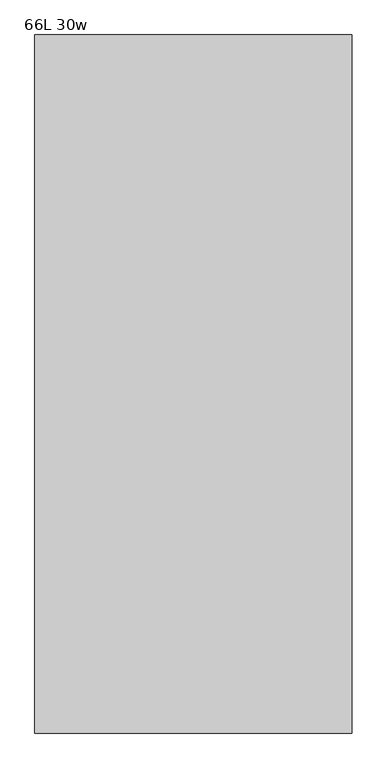
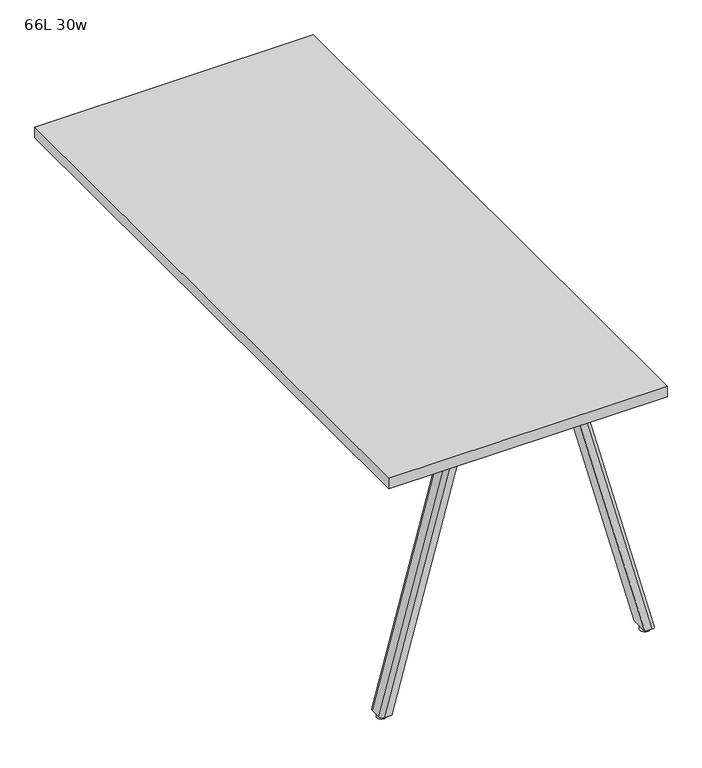
"""IFC4 building model written with IfcOpenShell, lengths in millimetres: furniture geometry, 66L 30w."""

import ifcopenshell
import ifcopenshell.guid

model = None  # the IFC model being written
_history = None  # IfcOwnerHistory: only IFC2X3 demands one
_inside = {}  # id of a spatial element -> (the spatial element, [elements in it])
_under = {}  # id of a project, library or spatial element -> (it, [spatial elements below it])
_declared = {}  # id of a project -> (the project, [libraries it declares])
_typed = {}  # id of a type object -> (the type object, [elements of that type])
_made_of = {}  # id of a material, layer set ... -> (it, [elements and type objects made of it])


def new_model(schema):
    """Start an empty IFC model of exactly this schema.

    Asked for "IFC4X3", IfcOpenShell would pick the latest addendum, in which some entities
    have other attributes; the version numbers below select the first issue.
    IFC2X3 requires an IfcOwnerHistory on every rooted entity: one is made here for all.
    """
    global model, _history
    if schema == "IFC4X3":
        model = ifcopenshell.file(schema_version=(4, 3, 0, 0))
    else:
        model = ifcopenshell.file(schema=schema)
    _inside.clear()
    _under.clear()
    _declared.clear()
    _typed.clear()
    _made_of.clear()
    _history = None
    if model.schema == "IFC2X3":
        org = make("IfcOrganization", Name="unknown")
        user = make(
            "IfcPersonAndOrganization",
            ThePerson=make("IfcPerson", FamilyName="unknown"),
            TheOrganization=org,
        )
        app = make(
            "IfcApplication",
            ApplicationDeveloper=org,
            Version="unknown",
            ApplicationFullName="unknown",
            ApplicationIdentifier="unknown",
        )
        _history = make(
            "IfcOwnerHistory",
            OwningUser=user,
            OwningApplication=app,
            ChangeAction="ADDED",
            CreationDate=0,
        )
    return model


def make(cls, **values):
    """One entity of the class cls with the attributes given. An attribute that is None is left unset."""
    return model.create_entity(
        cls, **{name: value for name, value in values.items() if value is not None}
    )


def rooted(cls, **values):
    """An entity with a GlobalId (a new one), such as an element, a storey or a relation."""
    return make(cls, GlobalId=ifcopenshell.guid.new(), OwnerHistory=_history, **values)


def si_unit(unit_type, name, prefix=None):
    """IfcSIUnit, for example si_unit("LENGTHUNIT", "METRE", prefix="MILLI")."""
    return make("IfcSIUnit", UnitType=unit_type, Prefix=prefix, Name=name)


def assignment(units):
    """IfcUnitAssignment: the units of a project."""
    return None if units is None else make("IfcUnitAssignment", Units=units)


def point(xyz):
    """IfcCartesianPoint."""
    return None if xyz is None else make("IfcCartesianPoint", Coordinates=xyz)


def direction(xyz):
    """IfcDirection."""
    return None if xyz is None else make("IfcDirection", DirectionRatios=xyz)


def frame(location, z_axis=None, x_axis=None):
    """IfcAxis2Placement3D, a coordinate frame: its origin and axes. An axis left out is left unset."""
    return make(
        "IfcAxis2Placement3D",
        Location=point(location),
        Axis=direction(z_axis),
        RefDirection=direction(x_axis),
    )


def frame_2d(location, x_axis=None):
    """IfcAxis2Placement2D, a coordinate frame in the plane: its origin and x axis."""
    return make(
        "IfcAxis2Placement2D", Location=point(location), RefDirection=direction(x_axis)
    )


def origin():
    """The frame at (0, 0, 0) with its axes left unset."""
    return frame((0.0, 0.0, 0.0))


def origin_with_axes():
    """The frame at (0, 0, 0) with the z axis (0, 0, 1) and the x axis (1, 0, 0) written out."""
    return frame((0.0, 0.0, 0.0), z_axis=(0.0, 0.0, 1.0), x_axis=(1.0, 0.0, 0.0))


def place(relative_to, where):
    """IfcLocalPlacement: puts the frame where relative to a parent placement (None: the world)."""
    return make(
        "IfcLocalPlacement", PlacementRelTo=relative_to, RelativePlacement=where
    )


def context(
    kind, dimensions, precision=None, world=None, true_north=None, identifier=None
):
    """IfcGeometricRepresentationContext, for example the 3D "Model" context."""
    return make(
        "IfcGeometricRepresentationContext",
        ContextIdentifier=identifier,
        ContextType=kind,
        CoordinateSpaceDimension=dimensions,
        Precision=precision,
        WorldCoordinateSystem=world,
        TrueNorth=true_north,
    )


def project(units=None, contexts=None):
    """IfcProject with its units and contexts."""
    return rooted(
        "IfcProject",
        Name="project",
        RepresentationContexts=contexts,
        UnitsInContext=assignment(units),
    )


def spatial(cls, under=None, at=None, **own):
    """A site, building, storey or space (cls), placed at a placement, below another one or the project."""
    s = rooted(cls, ObjectPlacement=at, **own)
    if under is not None:
        _under.setdefault(under.id(), (under, []))[1].append(s)
    return s


def polyline(points):
    """IfcPolyline through the points."""
    return make("IfcPolyline", Points=[point(p) for p in points])


def circle_curve(where, radius):
    """IfcCircle in the frame where."""
    return make("IfcCircle", Position=where, Radius=radius)


def trimmed(basis, trim1, trim2, sense, master):
    """IfcTrimmedCurve: the piece of a basis curve between two trims."""
    return make(
        "IfcTrimmedCurve",
        BasisCurve=basis,
        Trim1=trim1,
        Trim2=trim2,
        SenseAgreement=sense,
        MasterRepresentation=master,
    )


def segment(curve, same_sense, transition):
    """IfcCompositeCurveSegment."""
    return make(
        "IfcCompositeCurveSegment",
        Transition=transition,
        SameSense=same_sense,
        ParentCurve=curve,
    )


def composite_curve(segments, self_intersect=None):
    """IfcCompositeCurve: segments joined end to end."""
    return make("IfcCompositeCurve", Segments=segments, SelfIntersect=self_intersect)


def outline(outer, holes=None, kind="AREA"):
    """IfcArbitraryClosedProfileDef: a profile drawn as a closed curve; with holes, ...WithVoids."""
    if holes is None:
        return make("IfcArbitraryClosedProfileDef", ProfileType=kind, OuterCurve=outer)
    return make(
        "IfcArbitraryProfileDefWithVoids",
        ProfileType=kind,
        OuterCurve=outer,
        InnerCurves=holes,
    )


def extrude(swept, where, along, depth):
    """IfcExtrudedAreaSolid: the profile swept, set in the frame where, extruded along a direction by depth."""
    return make(
        "IfcExtrudedAreaSolid",
        SweptArea=swept,
        Position=where,
        ExtrudedDirection=direction(along),
        Depth=depth,
    )


def shape(context_of_items, identifier, shape_type, items):
    """IfcShapeRepresentation: the items that make up one representation, for example the "Body"."""
    return make(
        "IfcShapeRepresentation",
        ContextOfItems=context_of_items,
        RepresentationIdentifier=identifier,
        RepresentationType=shape_type,
        Items=items,
    )


def source(mapping_origin, context_of_items, identifier, shape_type, items):
    """IfcRepresentationMap: a shape defined once, which mapped items show again and again."""
    return make(
        "IfcRepresentationMap",
        MappingOrigin=mapping_origin,
        MappedRepresentation=shape(context_of_items, identifier, shape_type, items),
    )


def transform(
    local_origin,
    x_axis=None,
    y_axis=None,
    z_axis=None,
    scale=None,
    scale2=None,
    scale3=None,
    uniform=True,
):
    """IfcCartesianTransformationOperator3D, or its non-uniform kind. x_axis, y_axis, z_axis: its Axis1, 2, 3."""
    if uniform:
        return make(
            "IfcCartesianTransformationOperator3D",
            Axis1=direction(x_axis),
            Axis2=direction(y_axis),
            LocalOrigin=point(local_origin),
            Scale=scale,
            Axis3=direction(z_axis),
        )
    return make(
        "IfcCartesianTransformationOperator3DnonUniform",
        Axis1=direction(x_axis),
        Axis2=direction(y_axis),
        LocalOrigin=point(local_origin),
        Scale=scale,
        Axis3=direction(z_axis),
        Scale2=scale2,
        Scale3=scale3,
    )


def mapped(mapping_source, mapping_target):
    """IfcMappedItem: shows the shape of a source again, moved by a transform."""
    return make(
        "IfcMappedItem", MappingSource=mapping_source, MappingTarget=mapping_target
    )


def made_of(thing, what):
    """Note that an element or type object is made of a material, layer set ...; save() writes the relation."""
    if what is not None:
        _made_of.setdefault(what.id(), (what, []))[1].append(thing)
    return thing


def element(
    cls,
    number,
    at=None,
    inside=None,
    cuts=None,
    type_object=None,
    material=None,
    context=None,
    identifier="Body",
    shape_type=None,
    held_by="IfcProductDefinitionShape",
    body=None,
    shapes=None,
    **own,
):
    """One element of the class cls, such as IfcWall. Its Tag is "e" and its number.

    at: its placement. inside: the storey or other place that contains it. cuts: it is an
    opening in that element (IfcRelVoidsElement). A single representation is given by context,
    identifier, shape_type and body (its items); several are given by shapes. held_by: the class
    of the entity that holds the representations. save() writes the other relations.
    """
    e = rooted(cls, Tag="e%d" % number, ObjectPlacement=at, **own)
    if body is not None:
        shapes = [shape(context, identifier, shape_type, body)]
    if shapes is not None:
        e.Representation = make(held_by, Representations=shapes)
    if inside is not None:
        _inside.setdefault(inside.id(), (inside, []))[1].append(e)
    if cuts is not None:
        rooted(
            "IfcRelVoidsElement", RelatingBuildingElement=cuts, RelatedOpeningElement=e
        )
    if type_object is not None:
        _typed.setdefault(type_object.id(), (type_object, []))[1].append(e)
    return made_of(e, material)


def aggregate(whole, parts):
    """IfcRelAggregates: a whole, such as a stair, and the parts it consists of."""
    return rooted("IfcRelAggregates", RelatingObject=whole, RelatedObjects=parts)


def save(model, path):
    """Write the relations noted so far, then the file.

    IfcRelAggregates (storeys below a building ...), IfcRelContainedInSpatialStructure (elements
    in a storey), IfcRelDefinesByType, IfcRelAssociatesMaterial and IfcRelDeclares: one each for
    every whole, place, type object, material and project.
    """
    for whole, parts in _under.values():
        aggregate(whole, parts)
    for where, things in _inside.values():
        rooted(
            "IfcRelContainedInSpatialStructure",
            RelatedElements=things,
            RelatingStructure=where,
        )
    for kind, things in _typed.values():
        rooted("IfcRelDefinesByType", RelatedObjects=things, RelatingType=kind)
    for what, things in _made_of.values():
        rooted("IfcRelAssociatesMaterial", RelatedObjects=things, RelatingMaterial=what)
    for by, libraries in _declared.values():
        rooted("IfcRelDeclares", RelatingContext=by, RelatedDefinitions=libraries)
    model.write(path)


def plane_surface(at):
    """IfcPlane: the flat surface through the origin of the frame at, square to its z axis."""
    return make("IfcPlane", Position=at)


def extruded_surface(curve, direction_of_extrusion, depth):
    """IfcSurfaceOfLinearExtrusion: the curve pushed along a direction by depth."""
    return make(
        "IfcSurfaceOfLinearExtrusion",
        SweptCurve=make("IfcArbitraryOpenProfileDef", ProfileType="CURVE", Curve=curve),
        ExtrudedDirection=direction(direction_of_extrusion),
        Depth=depth,
    )


def advanced_brep(points, edges, surfaces, faces):
    """IfcAdvancedBrep: a solid bounded by faces that lie on surfaces and meet in shared edges.

    An edge is (start, end): straight between two places in points (the first is 0);
    or (start, end, curve); or (start, end, curve, False) where it runs against its curve.
    A face is (place in surfaces, loops), or (place, loops, False) where it looks against
    its surface's normal. A loop lists edges by number (the first is 1), with a minus sign
    where the edge is run from its end to its start. The first loop is the outer one.
    """
    corners = [point(p) for p in points]
    vertices = [make("IfcVertexPoint", VertexGeometry=c) for c in corners]
    made = []
    for start, end, *more in edges:
        made.append(
            make(
                "IfcEdgeCurve",
                EdgeStart=vertices[start],
                EdgeEnd=vertices[end],
                EdgeGeometry=more[0] if more else make("IfcPolyline", Points=[corners[start], corners[end]]),
                SameSense=more[1] if len(more) > 1 else True,
            )
        )
    hull = []
    for where, loops, *sense in faces:
        bounds = []
        for j, loop in enumerate(loops):
            ring = [make("IfcOrientedEdge", EdgeElement=made[abs(k) - 1], Orientation=k > 0) for k in loop]
            bounds.append(
                make(
                    "IfcFaceOuterBound" if j == 0 else "IfcFaceBound",
                    Bound=make("IfcEdgeLoop", EdgeList=ring),
                    Orientation=True,
                )
            )
        hull.append(make("IfcAdvancedFace", Bounds=bounds, FaceSurface=surfaces[where], SameSense=sense[0] if sense else True))
    return make("IfcAdvancedBrep", Outer=make("IfcClosedShell", CfsFaces=hull))


def furniture_66l_30w_31b55458(model_context):
    return source(origin(), model_context, "Body", "SolidModel", [
        extrude(outline(composite_curve([segment(polyline([(95.1640814, -790.194), (95.1640814, -682.2440004)]), True, "CONTINUOUS"), segment(trimmed(circle_curve(frame_2d((104.6890814, -682.2440004)), 9.525), [point((95.1640814, -682.2440004))], [point((104.6890814, -672.7190004))], False, "CARTESIAN"), True, "CONTINUOUS"), segment(polyline([(104.6890814, -672.7190004), (187.3624508, -672.7190004)]), True, "CONTINUOUS"), segment(trimmed(circle_curve(frame_2d((187.3624508, -682.2440004)), 9.525), [point((187.3624508, -672.7190004))], [point((196.8874508, -682.2440004))], False, "CARTESIAN"), True, "CONTINUOUS"), segment(polyline([(196.8874508, -682.2440004), (196.8874508, -790.194)]), True, "CONTINUOUS"), segment(trimmed(circle_curve(frame_2d((187.3624508, -790.194)), 9.525), [point((196.8874508, -790.194))], [point((187.3624508, -799.719))], False, "CARTESIAN"), True, "CONTINUOUS"), segment(polyline([(187.3624508, -799.719), (104.6890814, -799.719)]), True, "CONTINUOUS"), segment(trimmed(circle_curve(frame_2d((104.6890814, -790.194)), 9.525), [point((104.6890814, -799.719))], [point((95.1640814, -790.194))], False, "CARTESIAN"), True, "CONTINUOUS")], self_intersect=False)), frame((0.0, 0.0, 705.2055742), z_axis=(0.0, 0.0, 1.0), x_axis=(1.0, 0.0, 0.0)), (0.0, 0.0, 1.0), 5.9944258),
        advanced_brep(
        [(189.6632907, -784.225, 705.2055742), (189.6632907, -752.475, 705.2055742), (180.1382907, -742.95, 705.2055742), (159.5007907, -742.95, 705.2055742), (159.5007907, -793.75, 705.2055742), (180.1382907, -793.75, 705.2055742), (376.1515814, -784.225, 12.7), (366.6265814, -793.75, 12.7), (345.9890814, -793.75, 12.7), (345.9890814, -742.95, 12.7), (366.6265814, -742.95, 12.7), (376.1515814, -752.475, 12.7)],
        [
            (0, 1),
            (1, 2, circle_curve(frame((180.1382907, -752.475, 705.2055742), z_axis=(0.0, 0.0, 1.0), x_axis=(0.0, -1.0, 0.0)), 9.525)),
            (2, 3),
            (3, 4),
            (4, 5),
            (5, 0, circle_curve(frame((180.1382907, -784.225, 705.2055742), z_axis=(0.0, 0.0, 1.0), x_axis=(0.0, -1.0, 0.0)), 9.525)),
            (6, 7, circle_curve(frame((366.6265814, -784.225, 12.7), z_axis=(0.0, 0.0, -1.0), x_axis=(0.0, -1.0, 0.0)), 9.525)),
            (7, 8),
            (8, 9),
            (9, 10),
            (10, 11, circle_curve(frame((366.6265814, -752.475, 12.7), z_axis=(0.0, 0.0, -1.0), x_axis=(0.0, -1.0, 0.0)), 9.525)),
            (11, 6),
            (6, 0),
            (5, 7),
            (4, 8),
            (3, 9),
            (2, 10),
            (1, 11),
        ],
        [
            plane_surface(frame((176.434124, -768.35, 705.2055742), z_axis=(0.0, 0.0, 1.0), x_axis=(0.0, 1.0, 0.0))),
            plane_surface(frame((362.9224147, -768.35, 12.7), z_axis=(0.0, 0.0, -1.0), x_axis=(0.0, 1.0, 0.0))),
            extruded_surface(trimmed(circle_curve(frame((180.1382907, -784.225, 705.2055742), z_axis=(0.0, 0.0, -1.0), x_axis=(0.0, -1.0, 0.0)), 9.525), [point((189.6632907, -784.225, 705.2055742))], [point((180.1382907, -793.75, 705.2055742))], True, "CARTESIAN"), (186.48829070000002, 0.0, -692.5055742), 717.1763052878136),
            plane_surface(frame((356.3078314, -793.75, 12.7), z_axis=(0.0, -1.0, 0.0), x_axis=(-1.0, 0.0, 0.0))),
            plane_surface(frame((345.9890814, -768.35, 12.7), z_axis=(-0.9656001865922422, 0.0, -0.260031305140414), x_axis=(0.0, 1.0, 0.0))),
            plane_surface(frame((356.3078314, -742.95, 12.7), z_axis=(0.0, 1.0, 0.0), x_axis=(1.0, 0.0, 0.0))),
            extruded_surface(trimmed(circle_curve(frame((180.1382907, -752.475, 705.2055742), z_axis=(0.0, 0.0, -1.0), x_axis=(0.0, -1.0, 0.0)), 9.525), [point((180.1382907, -742.95, 705.2055742))], [point((189.6632907, -752.475, 705.2055742))], True, "CARTESIAN"), (186.48829070000002, 0.0, -692.5055742), 717.1763052878136),
            plane_surface(frame((376.1515814, -768.35, 12.7), z_axis=(0.9656001865922422, 0.0, 0.260031305140414), x_axis=(0.0, -1.0, 0.0))),
        ],
        [
            (0, [[1, 2, 3, 4, 5, 6]]),
            (1, [[7, 8, 9, 10, 11, 12]]),
            (2, [[13, -6, 14, -7]]),
            (3, [[-14, -5, 15, -8]]),
            (4, [[-15, -4, 16, -9]]),
            (5, [[-16, -3, 17, -10]]),
            (6, [[-17, -2, 18, -11]]),
            (7, [[-18, -1, -13, -12]]),
        ],
    ),
        extrude(outline(composite_curve([segment(trimmed(circle_curve(frame_2d((360.2765814, -768.35)), 12.7), [point((360.2765814, -755.65))], [point((360.2765814, -781.05))], False, "CARTESIAN"), True, "CONTINUOUS"), segment(trimmed(circle_curve(frame_2d((360.2765814, -768.35)), 12.7), [point((360.2765814, -781.05))], [point((360.2765814, -755.65))], False, "CARTESIAN"), True, "CONTINUOUS")], self_intersect=False)), origin_with_axes(), (0.0, 0.0, 1.0), 12.7),
        extrude(outline(composite_curve([segment(trimmed(circle_curve(frame_2d((-104.775, -790.194)), 9.525), [point((-95.25, -790.194))], [point((-104.775, -799.719))], False, "CARTESIAN"), True, "CONTINUOUS"), segment(polyline([(-104.775, -799.719), (-187.4483694, -799.719)]), True, "CONTINUOUS"), segment(trimmed(circle_curve(frame_2d((-187.4483694, -790.194)), 9.525), [point((-187.4483694, -799.719))], [point((-196.9733694, -790.194))], False, "CARTESIAN"), True, "CONTINUOUS"), segment(polyline([(-196.9733694, -790.194), (-196.9733694, -682.2440004)]), True, "CONTINUOUS"), segment(trimmed(circle_curve(frame_2d((-187.4483694, -682.2440004)), 9.525), [point((-196.9733694, -682.2440004))], [point((-187.4483694, -672.7190004))], False, "CARTESIAN"), True, "CONTINUOUS"), segment(polyline([(-187.4483694, -672.7190004), (-104.775, -672.7190004)]), True, "CONTINUOUS"), segment(trimmed(circle_curve(frame_2d((-104.775, -682.2440004)), 9.525), [point((-104.775, -672.7190004))], [point((-95.25, -682.2440004))], False, "CARTESIAN"), True, "CONTINUOUS"), segment(polyline([(-95.25, -682.2440004), (-95.25, -790.194)]), True, "CONTINUOUS")], self_intersect=False)), frame((0.0, 0.0, 705.2055742), z_axis=(0.0, 0.0, 1.0), x_axis=(1.0, 0.0, 0.0)), (0.0, 0.0, 1.0), 5.9944258),
        advanced_brep(
        [(-189.7492093, -784.225, 705.2055742), (-180.2242093, -793.75, 705.2055742), (-159.5867093, -793.75, 705.2055742), (-159.5867093, -742.95, 705.2055742), (-180.2242093, -742.95, 705.2055742), (-189.7492093, -752.475, 705.2055742), (-376.2375, -784.225, 12.7), (-376.2375, -752.475, 12.7), (-366.7125, -742.95, 12.7), (-346.075, -742.95, 12.7), (-346.075, -793.75, 12.7), (-366.7125, -793.75, 12.7)],
        [
            (0, 1, circle_curve(frame((-180.2242093, -784.225, 705.2055742), z_axis=(0.0, 0.0, 1.0), x_axis=(0.0, -1.0, 0.0)), 9.525)),
            (1, 2),
            (2, 3),
            (3, 4),
            (4, 5, circle_curve(frame((-180.2242093, -752.475, 705.2055742), z_axis=(0.0, 0.0, 1.0), x_axis=(0.0, -1.0, 0.0)), 9.525)),
            (5, 0),
            (6, 7),
            (7, 8, circle_curve(frame((-366.7125, -752.475, 12.7), z_axis=(0.0, 0.0, -1.0), x_axis=(0.0, -1.0, 0.0)), 9.525)),
            (8, 9),
            (9, 10),
            (10, 11),
            (11, 6, circle_curve(frame((-366.7125, -784.225, 12.7), z_axis=(0.0, 0.0, -1.0), x_axis=(0.0, -1.0, 0.0)), 9.525)),
            (11, 1),
            (0, 6),
            (10, 2),
            (9, 3),
            (8, 4),
            (7, 5),
        ],
        [
            plane_surface(frame((-176.5200426, -768.35, 705.2055742), z_axis=(0.0, 0.0, 1.0), x_axis=(0.0, 1.0, 0.0))),
            plane_surface(frame((-363.0083333, -768.35, 12.7), z_axis=(0.0, 0.0, -1.0), x_axis=(0.0, 1.0, 0.0))),
            extruded_surface(trimmed(circle_curve(frame((-366.7125, -784.225, 12.7), z_axis=(0.0, 0.0, 1.0), x_axis=(0.0, -1.0, 0.0)), 9.525), [point((-376.2375, -784.225, 12.7))], [point((-366.7125, -793.75, 12.7))], True, "CARTESIAN"), (186.48829069999996, 0.0, 692.5055742), 717.1763052878136),
            plane_surface(frame((-356.39375, -793.75, 12.7), z_axis=(0.0, -1.0, 0.0), x_axis=(1.0, 0.0, 0.0))),
            plane_surface(frame((-346.075, -768.35, 12.7), z_axis=(0.9656001865922422, 0.0, -0.260031305140414), x_axis=(0.0, 1.0, 0.0))),
            plane_surface(frame((-356.39375, -742.95, 12.7), z_axis=(0.0, 1.0, 0.0), x_axis=(-1.0, 0.0, 0.0))),
            extruded_surface(trimmed(circle_curve(frame((-366.7125, -752.475, 12.7), z_axis=(0.0, 0.0, 1.0), x_axis=(0.0, -1.0, 0.0)), 9.525), [point((-366.7125, -742.95, 12.7))], [point((-376.2375, -752.475, 12.7))], True, "CARTESIAN"), (186.48829069999996, 0.0, 692.5055742), 717.1763052878136),
            plane_surface(frame((-376.2375, -768.35, 12.7), z_axis=(-0.9656001865922422, 0.0, 0.260031305140414), x_axis=(0.0, -1.0, 0.0))),
        ],
        [
            (0, [[1, 2, 3, 4, 5, 6]]),
            (1, [[7, 8, 9, 10, 11, 12]]),
            (2, [[-12, 13, -1, 14]]),
            (3, [[-11, 15, -2, -13]]),
            (4, [[-10, 16, -3, -15]]),
            (5, [[-9, 17, -4, -16]]),
            (6, [[-8, 18, -5, -17]]),
            (7, [[-7, -14, -6, -18]]),
        ],
    ),
        extrude(outline(composite_curve([segment(trimmed(circle_curve(frame_2d((-360.3625, -768.35)), 12.7), [point((-360.3625, -755.65))], [point((-360.3625, -781.05))], False, "CARTESIAN"), True, "CONTINUOUS"), segment(trimmed(circle_curve(frame_2d((-360.3625, -768.35)), 12.7), [point((-360.3625, -781.05))], [point((-360.3625, -755.65))], False, "CARTESIAN"), True, "CONTINUOUS")], self_intersect=False)), origin_with_axes(), (0.0, 0.0, 1.0), 12.7),
        extrude(outline(polyline([(-381.0, -838.2), (-381.0, 838.2), (381.0, 838.2), (381.0, -838.2), (-381.0, -838.2)])), frame((0.0, 0.0, 706.4375), z_axis=(0.0, 0.0, 1.0), x_axis=(1.0, 0.0, 0.0)), (0.0, 0.0, 1.0), 30.1625),
    ])


if __name__ == "__main__":
    model = new_model("IFC4")
    model_context = context("Model", 3, world=origin())
    ifc_project = project(units=[si_unit("LENGTHUNIT", "METRE", prefix="MILLI")], contexts=[model_context])
    site = spatial("IfcSite", under=ifc_project)
    building = spatial("IfcBuilding", under=site)
    placement = place(None, origin())
    furniture_66l_30w_shape = furniture_66l_30w_31b55458(model_context)
    element("IfcFurniture", 1, ObjectType="66L 30w", at=placement, inside=building, context=model_context, shape_type="MappedRepresentation", body=[
        mapped(furniture_66l_30w_shape, transform((0.0, 0.0, 0.0), x_axis=(1.0, 0.0, 0.0), y_axis=(0.0, 1.0, 0.0), z_axis=(0.0, 0.0, 1.0))),
    ])
    save(model, "model.ifc")
